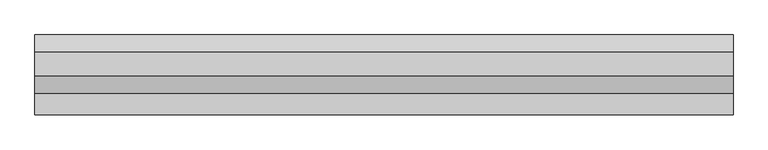
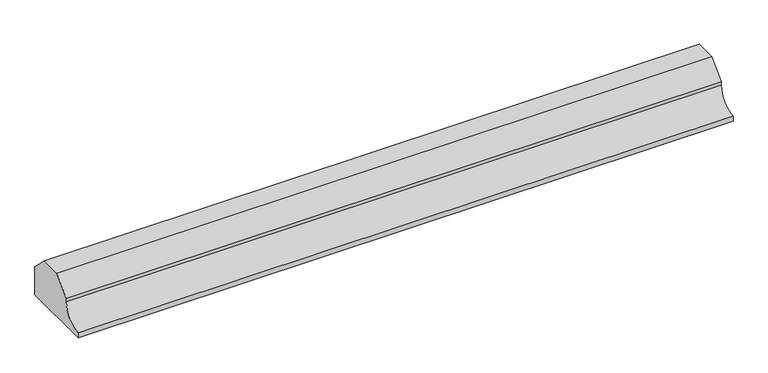
"""IFC4 building model written with IfcOpenShell, lengths in millimetres: proxy geometry."""

from ifc_helpers import new_model, si_unit, point, frame, frame_2d, origin, place, context, project, spatial, polyline, circle_curve, trimmed, segment, composite_curve, outline, extrude, source, transform, mapped, element, save


def generic_models_3dd0c90c(model_context):
    return source(origin(), model_context, "Body", "SweptSolid", [
        extrude(outline(composite_curve([segment(polyline([(-10944.7856698, 148.6), (-10865.3223642, 148.6), (-10805.0540151, 88.3316509), (-10805.0540151, -20.0), (-11080.0540151, -20.0), (-11080.0540151, 0.0)]), True, "CONTINUOUS"), segment(trimmed(circle_curve(frame_2d((-11080.0540151, 75.0)), 75.0), [point((-11080.0540151, 0.0))], [point((-11005.0540151, 75.0))], True, "CARTESIAN"), True, "CONTINUOUS"), segment(polyline([(-11005.0540151, 75.0), (-11005.0540151, 88.3316546), (-10944.7856698, 148.6)]), True, "CONTINUOUS")], self_intersect=False)), frame((-2642.3579656, 0.0, 0.0), z_axis=(1.0, 0.0, 0.0), x_axis=(0.0, 1.0, 0.0)), (0.0, 0.0, 1.0), 2400.0),
    ])


if __name__ == "__main__":
    model = new_model("IFC4")
    model_context = context("Model", 3, world=origin())
    ifc_project = project(units=[si_unit("LENGTHUNIT", "METRE", prefix="MILLI")], contexts=[model_context])
    site = spatial("IfcSite", under=ifc_project)
    building = spatial("IfcBuilding", under=site)
    placement = place(None, origin())
    generic_models_shape = generic_models_3dd0c90c(model_context)
    element("IfcBuildingElementProxy", 1, Name="Generic Models", at=placement, inside=building, context=model_context, shape_type="MappedRepresentation", body=[
        mapped(generic_models_shape, transform((0.0, 0.0, 0.0), x_axis=(1.0, 0.0, 0.0), y_axis=(0.0, 1.0, 0.0), z_axis=(0.0, 0.0, 1.0))),
    ])
    save(model, "model.ifc")
